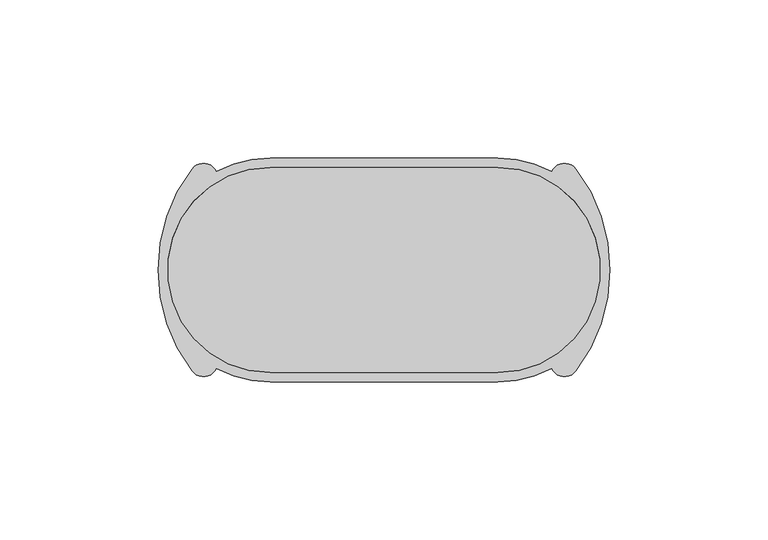
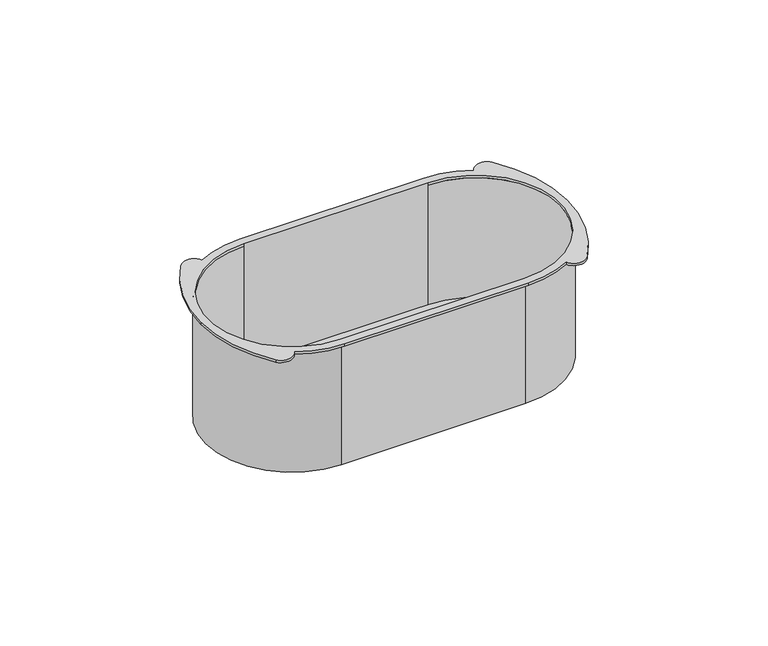
"""IFC4 building model written with IfcOpenShell, lengths in millimetres: proxy geometry."""

from ifc_helpers import new_model, si_unit, point, frame, frame_2d, origin, place, context, project, spatial, polyline, circle_curve, trimmed, segment, composite_curve, outline, extrude, source, transform, mapped, element, save
from ifc_brep_helpers import plane_surface, cylinder_surface, revolved_surface, advanced_brep


def electrical_fixtures_16331666(model_context):
    return source(origin(), model_context, "Body", "SolidModel", [
        advanced_brep(
        [(36.0, -33.5, -50.0), (-36.0, -33.5, -50.0), (-36.0, 33.5, -50.0), (36.0, 33.5, -50.0), (36.0, -32.5, -50.0), (36.0, 32.5, -50.0), (-36.0, 32.5, -50.0), (-36.0, -32.5, -50.0), (36.0, -32.5, 0.0), (36.0, 32.5, 0.0), (36.0, 33.5, 0.0), (36.0, -33.5, 0.0), (36.0, 35.5, 1.0), (-36.0, 35.5, 1.0), (-53.007708, 31.1606782, 1.0), (-60.7231662, 31.9859514, 1.0), (-71.5, 0.0, 1.0), (-60.7231662, -31.9859514, 1.0), (-53.007708, -31.1606782, 1.0), (-36.0, -35.5, 1.0), (36.0, -35.5, 1.0), (53.007708, -31.1606782, 1.0), (60.7231662, -31.9859514, 1.0), (71.5, 0.0, 1.0), (60.7231662, 31.9859514, 1.0), (53.007708, 31.1606782, 1.0), (36.0, 32.5, 1.0), (36.0, -32.5, 1.0), (-36.0, -32.5, 1.0), (-36.0, 32.5, 1.0), (36.0, 35.5, 0.0), (53.007708, 31.1606782, 0.0), (60.7231662, 31.9859514, 0.0), (71.5, 0.0, 0.0), (60.7231662, -31.9859514, 0.0), (53.007708, -31.1606782, 0.0), (36.0, -35.5, 0.0), (-36.0, -35.5, 0.0), (-53.007708, -31.1606782, 0.0), (-60.7231662, -31.9859514, 0.0), (-71.5, 0.0, 0.0), (-60.7231662, 31.9859514, 0.0), (-53.007708, 31.1606782, 0.0), (-36.0, 35.5, 0.0), (-36.0, 33.5, 0.0), (-36.0, -33.5, 0.0), (-36.0, -32.5, 0.0), (-36.0, 32.5, 0.0)],
        [
            (0, 1),
            (1, 2, circle_curve(frame((-36.0, 0.0, -50.0), z_axis=(0.0, 0.0, -1.0), x_axis=(0.0, -1.0, 0.0)), 33.5)),
            (2, 3),
            (3, 0, circle_curve(frame((36.0, 0.0, -50.0), z_axis=(0.0, 0.0, -1.0), x_axis=(0.0, -1.0, 0.0)), 33.5)),
            (4, 5, circle_curve(frame((36.0, 0.0, -50.0), z_axis=(0.0, 0.0, 1.0), x_axis=(0.0, -1.0, 0.0)), 32.5)),
            (5, 6),
            (6, 7, circle_curve(frame((-36.0, 0.0, -50.0), z_axis=(0.0, 0.0, 1.0), x_axis=(0.0, -1.0, 0.0)), 32.5)),
            (7, 4),
            (4, 8),
            (8, 9, circle_curve(frame((36.0, 0.0, 0.0), z_axis=(0.0, 0.0, 1.0), x_axis=(0.0, -1.0, 0.0)), 32.5)),
            (9, 5),
            (3, 10),
            (10, 11, circle_curve(frame((36.0, 0.0, 0.0), z_axis=(0.0, 0.0, -1.0), x_axis=(0.0, -1.0, 0.0)), 33.5)),
            (11, 0),
            (12, 13),
            (13, 14, circle_curve(frame((-36.0, 0.0, 1.0), z_axis=(0.0, 0.0, 1.0), x_axis=(0.0, -1.0, 0.0)), 35.5)),
            (14, 15, circle_curve(frame((-57.114694, 29.2430182, 1.0), z_axis=(0.0, 0.0, 1.0), x_axis=(0.0, -1.0, 0.0)), 4.5326321)),
            (15, 16, circle_curve(frame((-18.643973, 0.0, 1.0), z_axis=(0.0, 0.0, 1.0), x_axis=(0.0, -1.0, 0.0)), 52.856027)),
            (16, 17, circle_curve(frame((-18.643973, 0.0, 1.0), z_axis=(0.0, 0.0, 1.0), x_axis=(0.0, 1.0, 0.0)), 52.856027)),
            (17, 18, circle_curve(frame((-57.114694, -29.2430182, 1.0), z_axis=(0.0, 0.0, 1.0), x_axis=(0.0, 1.0, 0.0)), 4.5326321)),
            (18, 19, circle_curve(frame((-36.0, 0.0, 1.0), z_axis=(0.0, 0.0, 1.0), x_axis=(0.0, -1.0, 0.0)), 35.5)),
            (19, 20),
            (20, 21, circle_curve(frame((36.0, 0.0, 1.0), z_axis=(0.0, 0.0, 1.0), x_axis=(0.0, -1.0, 0.0)), 35.5)),
            (21, 22, circle_curve(frame((57.114694, -29.2430182, 1.0), z_axis=(0.0, 0.0, 1.0), x_axis=(0.0, 1.0, 0.0)), 4.5326321)),
            (22, 23, circle_curve(frame((18.643973, 0.0, 1.0), z_axis=(0.0, 0.0, 1.0), x_axis=(0.0, 1.0, 0.0)), 52.856027)),
            (23, 24, circle_curve(frame((18.643973, 0.0, 1.0), z_axis=(0.0, 0.0, 1.0), x_axis=(0.0, -1.0, 0.0)), 52.856027)),
            (24, 25, circle_curve(frame((57.114694, 29.2430182, 1.0), z_axis=(0.0, 0.0, 1.0), x_axis=(0.0, -1.0, 0.0)), 4.5326321)),
            (25, 12, circle_curve(frame((36.0, 0.0, 1.0), z_axis=(0.0, 0.0, 1.0), x_axis=(0.0, -1.0, 0.0)), 35.5)),
            (26, 27, circle_curve(frame((36.0, 0.0, 1.0), z_axis=(0.0, 0.0, -1.0), x_axis=(0.0, -1.0, 0.0)), 32.5)),
            (27, 28),
            (28, 29, circle_curve(frame((-36.0, 0.0, 1.0), z_axis=(0.0, 0.0, -1.0), x_axis=(0.0, -1.0, 0.0)), 32.5)),
            (29, 26),
            (30, 31, circle_curve(frame((36.0, 0.0, 0.0), z_axis=(0.0, 0.0, -1.0), x_axis=(0.0, -1.0, 0.0)), 35.5)),
            (31, 32, circle_curve(frame((57.114694, 29.2430182, 0.0), z_axis=(0.0, 0.0, -1.0), x_axis=(0.0, -1.0, 0.0)), 4.5326321)),
            (32, 33, circle_curve(frame((18.643973, 0.0, 0.0), z_axis=(0.0, 0.0, -1.0), x_axis=(0.0, -1.0, 0.0)), 52.856027)),
            (33, 34, circle_curve(frame((18.643973, 0.0, 0.0), z_axis=(0.0, 0.0, -1.0), x_axis=(0.0, 1.0, 0.0)), 52.856027)),
            (34, 35, circle_curve(frame((57.114694, -29.2430182, 0.0), z_axis=(0.0, 0.0, -1.0), x_axis=(0.0, 1.0, 0.0)), 4.5326321)),
            (35, 36, circle_curve(frame((36.0, 0.0, 0.0), z_axis=(0.0, 0.0, -1.0), x_axis=(0.0, -1.0, 0.0)), 35.5)),
            (36, 37),
            (37, 38, circle_curve(frame((-36.0, 0.0, 0.0), z_axis=(0.0, 0.0, -1.0), x_axis=(0.0, -1.0, 0.0)), 35.5)),
            (38, 39, circle_curve(frame((-57.114694, -29.2430182, 0.0), z_axis=(0.0, 0.0, -1.0), x_axis=(0.0, 1.0, 0.0)), 4.5326321)),
            (39, 40, circle_curve(frame((-18.643973, 0.0, 0.0), z_axis=(0.0, 0.0, -1.0), x_axis=(0.0, 1.0, 0.0)), 52.856027)),
            (40, 41, circle_curve(frame((-18.643973, 0.0, 0.0), z_axis=(0.0, 0.0, -1.0), x_axis=(0.0, -1.0, 0.0)), 52.856027)),
            (41, 42, circle_curve(frame((-57.114694, 29.2430182, 0.0), z_axis=(0.0, 0.0, -1.0), x_axis=(0.0, -1.0, 0.0)), 4.5326321)),
            (42, 43, circle_curve(frame((-36.0, 0.0, 0.0), z_axis=(0.0, 0.0, -1.0), x_axis=(0.0, -1.0, 0.0)), 35.5)),
            (43, 30),
            (10, 44),
            (44, 45, circle_curve(frame((-36.0, 0.0, 0.0), z_axis=(0.0, 0.0, 1.0), x_axis=(0.0, -1.0, 0.0)), 33.5)),
            (45, 11),
            (20, 36),
            (35, 21),
            (25, 31),
            (30, 12),
            (34, 22),
            (33, 23),
            (32, 24),
            (43, 13),
            (42, 14),
            (41, 15),
            (40, 16),
            (39, 17),
            (38, 18),
            (37, 19),
            (26, 9),
            (8, 27),
            (28, 46),
            (46, 47, circle_curve(frame((-36.0, 0.0, 0.0), z_axis=(0.0, 0.0, -1.0), x_axis=(0.0, -1.0, 0.0)), 32.5)),
            (47, 29),
            (7, 46),
            (6, 47),
            (2, 44),
            (1, 45),
        ],
        [
            plane_surface(frame((-71.5, -32.5, -50.0), z_axis=(0.0, 0.0, -1.0), x_axis=(1.0, 0.0, 0.0))),
            revolved_surface(polyline([(36.0, -32.5, -50.0), (36.0, -32.5, 0.0)]), (36.0, 0.0, -50.0), (0.0, 0.0, -1.0)),
            cylinder_surface(frame((36.0, 0.0, 0.0), z_axis=(0.0, 0.0, 1.0), x_axis=(0.0, -1.0, 0.0)), 33.5),
            plane_surface(frame((-71.5, 35.5, 1.0), z_axis=(0.0, 0.0, 1.0), x_axis=(-1.0, 0.0, 0.0))),
            plane_surface(frame((-71.5, 35.5, 0.0), z_axis=(0.0, 0.0, -1.0), x_axis=(1.0, 0.0, 0.0))),
            cylinder_surface(frame((36.0, 0.0, 0.0), z_axis=(0.0, 0.0, 1.0), x_axis=(0.0, -1.0, 0.0)), 35.5),
            cylinder_surface(frame((57.114694, -29.2430182, 0.0), z_axis=(0.0, 0.0, 1.0), x_axis=(0.0, 1.0, 0.0)), 4.5326321),
            cylinder_surface(frame((18.643973, 0.0, 0.0), z_axis=(0.0, 0.0, 1.0), x_axis=(0.0, 1.0, 0.0)), 52.856027),
            cylinder_surface(frame((18.643973, 0.0, 0.0), z_axis=(0.0, 0.0, 1.0), x_axis=(0.0, -1.0, 0.0)), 52.856027),
            cylinder_surface(frame((57.114694, 29.2430182, 0.0), z_axis=(0.0, 0.0, 1.0), x_axis=(0.0, -1.0, 0.0)), 4.5326321),
            plane_surface(frame((36.0, 35.5, 1.0), z_axis=(0.0, 1.0, 0.0), x_axis=(0.0, 0.0, -1.0))),
            cylinder_surface(frame((-36.0, 0.0, 0.0), z_axis=(0.0, 0.0, 1.0), x_axis=(0.0, -1.0, 0.0)), 35.5),
            cylinder_surface(frame((-57.114694, 29.2430182, 0.0), z_axis=(0.0, 0.0, 1.0), x_axis=(0.0, -1.0, 0.0)), 4.5326321),
            cylinder_surface(frame((-18.643973, 0.0, 0.0), z_axis=(0.0, 0.0, 1.0), x_axis=(0.0, -1.0, 0.0)), 52.856027),
            cylinder_surface(frame((-18.643973, 0.0, 0.0), z_axis=(0.0, 0.0, 1.0), x_axis=(0.0, 1.0, 0.0)), 52.856027),
            cylinder_surface(frame((-57.114694, -29.2430182, 0.0), z_axis=(0.0, 0.0, 1.0), x_axis=(0.0, 1.0, 0.0)), 4.5326321),
            plane_surface(frame((-36.0, -35.5, 1.0), z_axis=(0.0, -1.0, 0.0), x_axis=(0.0, 0.0, -1.0))),
            revolved_surface(polyline([(36.0, -32.5, 0.0), (36.0, -32.5, 1.0)]), (36.0, 0.0, 0.0), (0.0, 0.0, -1.0)),
            revolved_surface(polyline([(-36.0, -32.5, 0.0), (-36.0, -32.5, 1.0)]), (-36.0, 0.0, 0.0), (0.0, 0.0, -1.0)),
            plane_surface(frame((36.0, -32.5, 0.0), z_axis=(0.0, 1.0, 0.0), x_axis=(0.0, 0.0, -1.0))),
            revolved_surface(polyline([(-36.0, -32.5, -50.0), (-36.0, -32.5, 0.0)]), (-36.0, 0.0, -50.0), (0.0, 0.0, -1.0)),
            plane_surface(frame((-36.0, 32.5, 0.0), z_axis=(0.0, -1.0, 0.0), x_axis=(0.0, 0.0, -1.0))),
            plane_surface(frame((36.0, 33.5, 0.0), z_axis=(0.0, 1.0, 0.0), x_axis=(0.0, 0.0, -1.0))),
            cylinder_surface(frame((-36.0, 0.0, 0.0), z_axis=(0.0, 0.0, 1.0), x_axis=(0.0, -1.0, 0.0)), 33.5),
            plane_surface(frame((-36.0, -33.5, 0.0), z_axis=(0.0, -1.0, 0.0), x_axis=(0.0, 0.0, -1.0))),
        ],
        [
            (0, [[1, 2, 3, 4], [5, 6, 7, 8]]),
            (1, [[-5, 9, 10, 11]]),
            (2, [[-4, 12, 13, 14]]),
            (3, [[15, 16, 17, 18, 19, 20, 21, 22, 23, 24, 25, 26, 27, 28], [29, 30, 31, 32]]),
            (4, [[33, 34, 35, 36, 37, 38, 39, 40, 41, 42, 43, 44, 45, 46], [-13, 47, 48, 49]]),
            (5, [[-23, 50, -38, 51]]),
            (5, [[-28, 52, -33, 53]]),
            (6, [[-24, -51, -37, 54]]),
            (7, [[-25, -54, -36, 55]]),
            (8, [[-26, -55, -35, 56]]),
            (9, [[-27, -56, -34, -52]]),
            (10, [[-15, -53, -46, 57]]),
            (11, [[-16, -57, -45, 58]]),
            (12, [[-17, -58, -44, 59]]),
            (13, [[-18, -59, -43, 60]]),
            (14, [[-19, -60, -42, 61]]),
            (15, [[-20, -61, -41, 62]]),
            (11, [[-21, -62, -40, 63]]),
            (16, [[-22, -63, -39, -50]]),
            (17, [[-29, 64, -10, 65]]),
            (18, [[-31, 66, 67, 68]]),
            (19, [[-8, 69, -66, -30, -65, -9]]),
            (20, [[-7, 70, -67, -69]]),
            (21, [[-6, -11, -64, -32, -68, -70]]),
            (22, [[-3, 71, -47, -12]]),
            (23, [[-2, 72, -48, -71]]),
            (24, [[-1, -14, -49, -72]]),
        ],
    ),
        extrude(outline(composite_curve([segment(polyline([(-36.0, 32.5), (36.0, 32.5)]), True, "CONTINUOUS"), segment(trimmed(circle_curve(frame_2d((36.0, 0.0)), 32.5), [point((36.0, 32.5))], [point((36.0, -32.5))], False, "CARTESIAN"), True, "CONTINUOUS"), segment(polyline([(36.0, -32.5), (-36.0, -32.5)]), True, "CONTINUOUS"), segment(trimmed(circle_curve(frame_2d((-36.0, 0.0)), 32.5), [point((-36.0, -32.5))], [point((-36.0, 32.5))], False, "CARTESIAN"), True, "CONTINUOUS")], self_intersect=False)), frame((0.0, 0.0, -50.0), z_axis=(0.0, 0.0, 1.0), x_axis=(1.0, 0.0, 0.0)), (0.0, 0.0, 1.0), 1.0),
    ])


if __name__ == "__main__":
    model = new_model("IFC4")
    model_context = context("Model", 3, world=origin())
    ifc_project = project(units=[si_unit("LENGTHUNIT", "METRE", prefix="MILLI")], contexts=[model_context])
    site = spatial("IfcSite", under=ifc_project)
    building = spatial("IfcBuilding", under=site)
    placement = place(None, origin())
    electrical_fixtures_shape = electrical_fixtures_16331666(model_context)
    element("IfcBuildingElementProxy", 1, Name="Electrical Fixtures", at=placement, inside=building, context=model_context, shape_type="MappedRepresentation", body=[
        mapped(electrical_fixtures_shape, transform((0.0, 0.0, 0.0), x_axis=(1.0, 0.0, 0.0), y_axis=(0.0, 1.0, 0.0), z_axis=(0.0, 0.0, 1.0))),
    ])
    save(model, "model.ifc")
